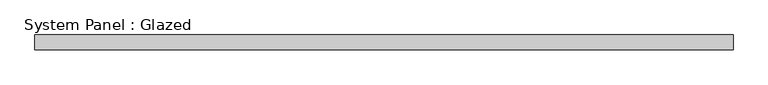
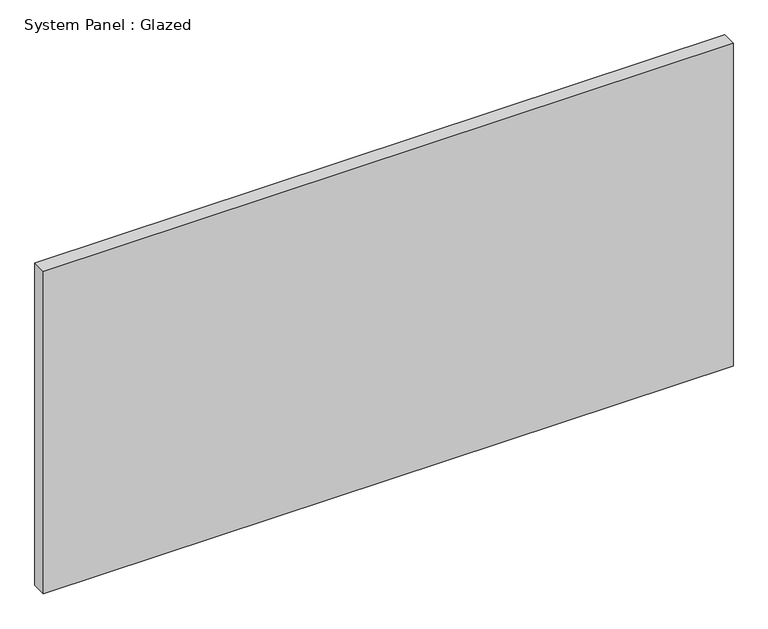
"""IFC4 building model written with IfcOpenShell, lengths in millimetres: plate geometry, System Panel : Glazed."""

from ifc_helpers import new_model, si_unit, origin, origin_with_axes, place, context, project, spatial, polyline, outline, extrude, source, transform, mapped, element, save


def system_panel_glazed_550ec93f(model_context):
    return source(origin(), model_context, "Body", "SweptSolid", [
        extrude(outline(polyline([(590.55, 19.05), (-590.55, 19.05), (-590.55, 44.45), (590.55, 44.45), (590.55, 19.05)])), origin_with_axes(), (0.0, 0.0, 1.0), 584.2),
    ])


if __name__ == "__main__":
    model = new_model("IFC4")
    model_context = context("Model", 3, world=origin())
    ifc_project = project(units=[si_unit("LENGTHUNIT", "METRE", prefix="MILLI")], contexts=[model_context])
    site = spatial("IfcSite", under=ifc_project)
    building = spatial("IfcBuilding", under=site)
    placement = place(None, origin())
    system_panel_glazed_shape = system_panel_glazed_550ec93f(model_context)
    element("IfcPlate", 1, ObjectType="System Panel : Glazed", at=placement, inside=building, context=model_context, shape_type="MappedRepresentation", body=[
        mapped(system_panel_glazed_shape, transform((0.0, 0.0, 0.0), x_axis=(1.0, 0.0, 0.0), y_axis=(0.0, 1.0, 0.0), z_axis=(0.0, 0.0, 1.0))),
    ])
    save(model, "model.ifc")
